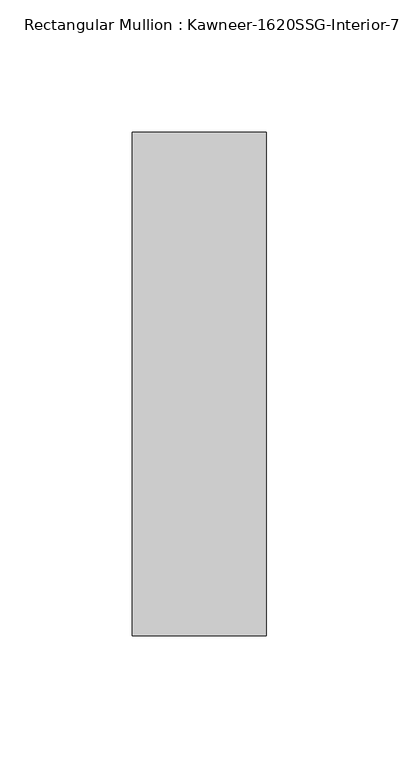
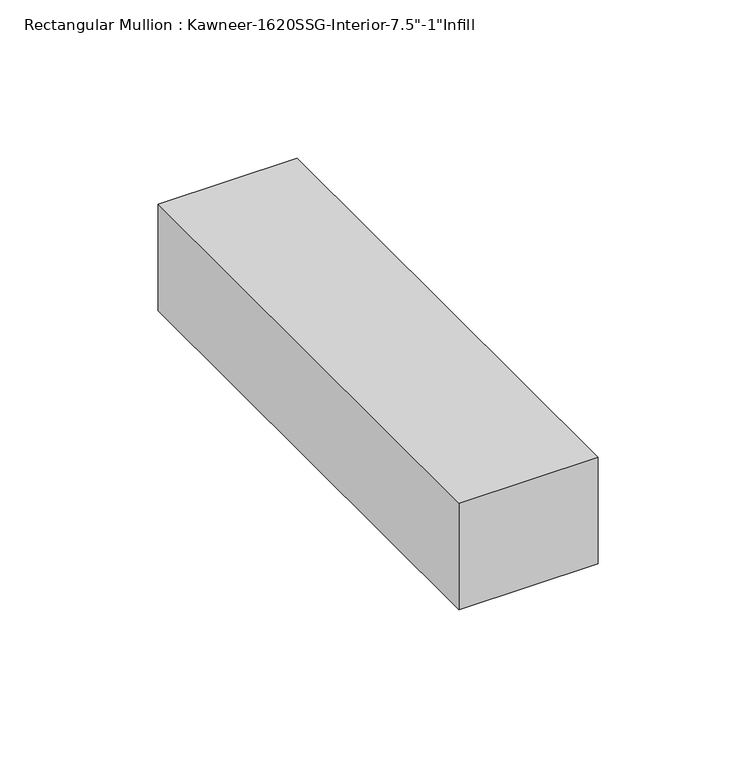
"""IFC4 building model written with IfcOpenShell, lengths in millimetres: member geometry."""

from ifc_helpers import new_model, si_unit, frame, origin, place, context, project, spatial, polyline, outline, extrude, source, transform, mapped, element, save


def member_25d7a522(model_context):
    return source(origin(), model_context, "Body", "SweptSolid", [
        extrude(outline(polyline([(25.4, 152.4), (25.4, -38.1), (-25.4, -38.1), (-25.4, 152.4), (25.4, 152.4)])), frame((0.0, 0.0, -41.275), z_axis=(0.0, 0.0, 1.0), x_axis=(1.0, 0.0, 0.0)), (0.0, 0.0, 1.0), 41.275),
    ])


if __name__ == "__main__":
    model = new_model("IFC4")
    model_context = context("Model", 3, world=origin())
    ifc_project = project(units=[si_unit("LENGTHUNIT", "METRE", prefix="MILLI")], contexts=[model_context])
    site = spatial("IfcSite", under=ifc_project)
    building = spatial("IfcBuilding", under=site)
    placement = place(None, origin())
    member_shape = member_25d7a522(model_context)
    element("IfcMember", 1, ObjectType="Rectangular Mullion : Kawneer-1620SSG-Interior-7.5\"-1\"Infill", at=placement, inside=building, context=model_context, shape_type="MappedRepresentation", body=[
        mapped(member_shape, transform((0.0, 0.0, 0.0), x_axis=(1.0, 0.0, 0.0), y_axis=(0.0, 1.0, 0.0), z_axis=(0.0, 0.0, 1.0))),
    ])
    save(model, "model.ifc")
